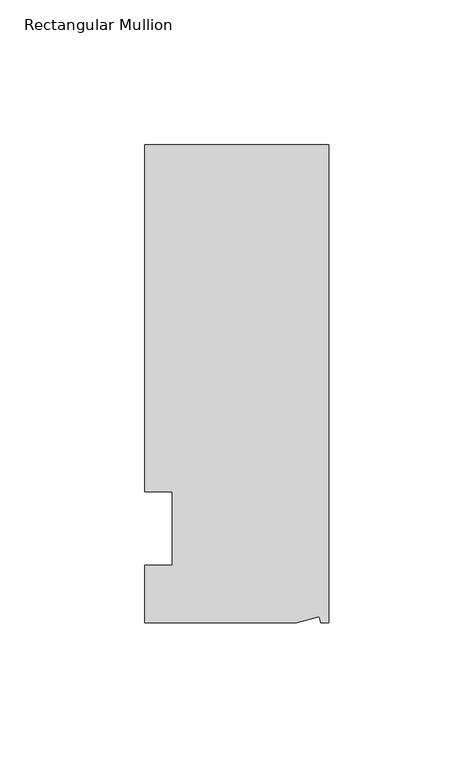
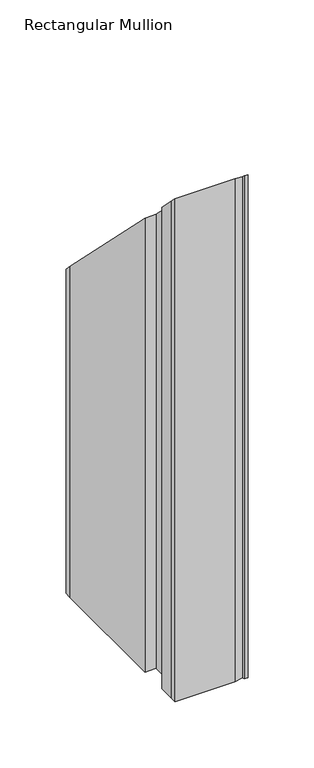
"""IFC4 building model written with IfcOpenShell, lengths in millimetres: member geometry, Rectangular Mullion."""

from ifc_helpers import new_model, si_unit, origin, place, context, project, spatial, faceted_brep, source, transform, mapped, element, save


def rectangular_mullion_18a91e27(model_context):
    return source(origin(), model_context, "Body", "Brep", [
        faceted_brep([(0.0, 132.5561012, -431.8), (0.0, -32.5438988, -431.8), (-2.7630634, -32.5438988, -431.8), (-3.3223696, -30.4565397, -431.8), (-11.1125, -32.5438988, -431.8), (-63.5076469, -32.5438988, -431.8), (-63.5076469, -26.1938988, -431.8), (-63.5, -12.7, -431.8), (-53.975, -12.7, -431.8), (-53.975, 12.8488281, -431.8), (-63.5, 12.8488281, -431.8), (-63.5, 126.2061012, -431.8), (-63.5, 132.5561012, -431.8), (-63.5, 132.5561012, -132.5561012), (0.0, 132.5561012, -132.5561012), (-63.5, 12.8488281, -12.8488281), (-63.5, 126.2061012, -126.2061012), (-53.975, 12.8488281, -12.8488281), (-53.975, -12.7, 12.7), (-63.5, -12.7, 12.7), (-63.5, -26.1938988, 26.1938988), (-11.1125, -32.5438988, 32.5438988), (-63.5076469, -32.5438988, 32.5438988), (-3.3223696, -30.4565397, 30.4565397), (-2.7630634, -32.5438988, 32.5438988), (0.0, -32.5438988, 32.5438988)], [[[0, 1, 2, 3, 4, 5, 6, 7, 8, 9, 10, 11, 12]], [[13, 14, 0, 12]], [[15, 16, 11, 10]], [[17, 15, 10, 9]], [[18, 17, 9, 8]], [[19, 18, 8, 7]], [[20, 19, 7, 6]], [[21, 22, 5, 4]], [[23, 21, 4, 3]], [[24, 23, 3, 2]], [[25, 24, 2, 1]], [[14, 25, 1, 0]], [[14, 13, 16, 15, 17, 18, 19, 20, 22, 21, 23, 24, 25]], [[16, 13, 12, 11]], [[22, 20, 6, 5]]]),
    ])


if __name__ == "__main__":
    model = new_model("IFC4")
    model_context = context("Model", 3, world=origin())
    ifc_project = project(units=[si_unit("LENGTHUNIT", "METRE", prefix="MILLI")], contexts=[model_context])
    site = spatial("IfcSite", under=ifc_project)
    building = spatial("IfcBuilding", under=site)
    placement = place(None, origin())
    rectangular_mullion_shape = rectangular_mullion_18a91e27(model_context)
    element("IfcMember", 1, ObjectType="Rectangular Mullion", at=placement, inside=building, context=model_context, shape_type="MappedRepresentation", body=[
        mapped(rectangular_mullion_shape, transform((0.0, 0.0, 0.0), x_axis=(1.0, 0.0, 0.0), y_axis=(0.0, 1.0, 0.0), z_axis=(0.0, 0.0, 1.0))),
    ])
    save(model, "model.ifc")
